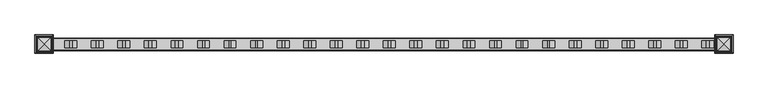
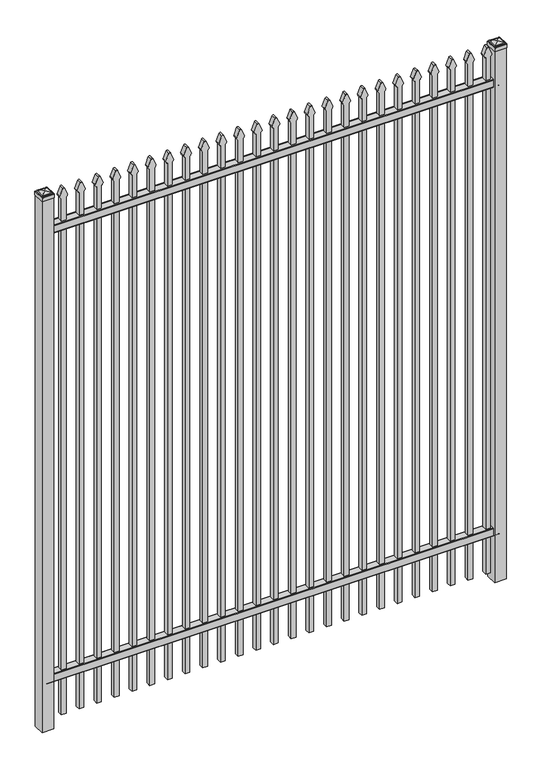
"""IFC4 building model written with IfcOpenShell, lengths in millimetres: railing geometry."""

from ifc_helpers import new_model, si_unit, point, frame, frame_2d, origin, origin_with_axes, place, context, project, spatial, polyline, circle_curve, ellipse_curve, trimmed, segment, composite_curve, outline, extrude, source, transform, mapped, element, save
from ifc_brep_helpers import plane_surface, cylinder_surface, advanced_brep


def railing_7e1ca35c(model_context):
    return source(origin(), model_context, "Body", "SolidModel", [
        extrude(outline(composite_curve([segment(polyline([(4253.9139761, 304.8), (4291.969541, 304.8)]), True, "CONTINUOUS"), segment(trimmed(circle_curve(frame_2d((4291.969541, 301.625)), 3.175), [point((4291.969541, 304.8))], [point((4295.144541, 301.625))], False, "CARTESIAN"), True, "CONTINUOUS"), segment(polyline([(4295.144541, 301.625), (4295.144541, 262.1439893)]), True, "CONTINUOUS"), segment(trimmed(circle_curve(frame_2d((4293.3505518, 262.1439893)), 1.7939893), [point((4295.144541, 262.1439893))], [point((4293.3505518, 260.35))], False, "CARTESIAN"), True, "CONTINUOUS"), segment(polyline([(4293.3505518, 260.35), (4290.7590713, 260.35)]), True, "CONTINUOUS"), segment(trimmed(circle_curve(frame_2d((4290.7590713, 262.1359375)), 1.7859375), [point((4290.7590713, 260.35))], [point((4288.9755813, 262.0424688))], False, "CARTESIAN"), True, "CONTINUOUS"), segment(polyline([(4288.9755813, 262.0424688), (4287.4025867, 292.0569942), (4258.4364954, 292.0569942), (4256.8635007, 262.0424688)]), True, "CONTINUOUS"), segment(trimmed(circle_curve(frame_2d((4255.0800108, 262.1359375)), 1.7859375), [point((4256.8635007, 262.0424688))], [point((4255.0800108, 260.35))], False, "CARTESIAN"), True, "CONTINUOUS"), segment(polyline([(4255.0800108, 260.35), (4252.4804785, 260.35)]), True, "CONTINUOUS"), segment(trimmed(circle_curve(frame_2d((4252.4804785, 262.1359375)), 1.7859375), [point((4252.4804785, 260.35))], [point((4250.694541, 262.1359375))], False, "CARTESIAN"), True, "CONTINUOUS"), segment(polyline([(4250.694541, 262.1359375), (4250.694541, 301.5805649)]), True, "CONTINUOUS"), segment(trimmed(circle_curve(frame_2d((4253.9139761, 301.5805649)), 3.2194351), [point((4250.694541, 301.5805649))], [point((4253.9139761, 304.8))], False, "CARTESIAN"), True, "CONTINUOUS")], self_intersect=False)), frame((-33015.4649936, 0.0, 0.0), z_axis=(1.0, 0.0, 0.0), x_axis=(0.0, 1.0, 0.0)), (0.0, 0.0, 1.0), 2438.4),
        extrude(outline(composite_curve([segment(polyline([(4253.9139761, 2859.0875), (4291.969541, 2859.0875)]), True, "CONTINUOUS"), segment(trimmed(circle_curve(frame_2d((4291.969541, 2855.9125)), 3.175), [point((4291.969541, 2859.0875))], [point((4295.144541, 2855.9125))], False, "CARTESIAN"), True, "CONTINUOUS"), segment(polyline([(4295.144541, 2855.9125), (4295.144541, 2816.4314893)]), True, "CONTINUOUS"), segment(trimmed(circle_curve(frame_2d((4293.3505518, 2816.4314893)), 1.7939893), [point((4295.144541, 2816.4314893))], [point((4293.3505518, 2814.6375))], False, "CARTESIAN"), True, "CONTINUOUS"), segment(polyline([(4293.3505518, 2814.6375), (4290.7590713, 2814.6375)]), True, "CONTINUOUS"), segment(trimmed(circle_curve(frame_2d((4290.7590713, 2816.4234375)), 1.7859375), [point((4290.7590713, 2814.6375))], [point((4288.9755813, 2816.3299688))], False, "CARTESIAN"), True, "CONTINUOUS"), segment(polyline([(4288.9755813, 2816.3299688), (4287.4025867, 2846.3444942), (4258.4364954, 2846.3444942), (4256.8635007, 2816.3299688)]), True, "CONTINUOUS"), segment(trimmed(circle_curve(frame_2d((4255.0800108, 2816.4234375)), 1.7859375), [point((4256.8635007, 2816.3299688))], [point((4255.0800108, 2814.6375))], False, "CARTESIAN"), True, "CONTINUOUS"), segment(polyline([(4255.0800108, 2814.6375), (4252.4804785, 2814.6375)]), True, "CONTINUOUS"), segment(trimmed(circle_curve(frame_2d((4252.4804785, 2816.4234375)), 1.7859375), [point((4252.4804785, 2814.6375))], [point((4250.694541, 2816.4234375))], False, "CARTESIAN"), True, "CONTINUOUS"), segment(polyline([(4250.694541, 2816.4234375), (4250.694541, 2855.8680649)]), True, "CONTINUOUS"), segment(trimmed(circle_curve(frame_2d((4253.9139761, 2855.8680649)), 3.2194351), [point((4250.694541, 2855.8680649))], [point((4253.9139761, 2859.0875))], False, "CARTESIAN"), True, "CONTINUOUS")], self_intersect=False)), frame((-33015.4649936, 0.0, 0.0), z_axis=(1.0, 0.0, 0.0), x_axis=(0.0, 1.0, 0.0)), (0.0, 0.0, 1.0), 2438.4),
        extrude(outline(composite_curve([segment(polyline([(2988.6798417, -30646.9149936), (50.8, -30646.9149936), (50.8, -30621.5149936), (2988.4579232, -30621.5149936)]), True, "CONTINUOUS"), segment(trimmed(circle_curve(frame_2d((3006.9299402, -30635.3872336)), 23.1009622), [point((2988.4579232, -30621.5149936))], [point((3001.4676176, -30612.9413545))], False, "CARTESIAN"), True, "CONTINUOUS"), segment(polyline([(3001.4676176, -30612.9413545), (3041.9555225, -30629.2605644)]), True, "CONTINUOUS"), segment(trimmed(circle_curve(frame_2d((3038.8045804, -30634.3905764)), 6.0204202), [point((3041.9555225, -30629.2605644))], [point((3041.9555225, -30639.5205884))], False, "CARTESIAN"), True, "CONTINUOUS"), segment(polyline([(3041.9555225, -30639.5205884), (3002.7339948, -30655.4687724)]), True, "CONTINUOUS"), segment(trimmed(circle_curve(frame_2d((3006.9299402, -30632.7520716)), 23.1009622), [point((3002.7339948, -30655.4687724))], [point((2988.6798417, -30646.9149936))], False, "CARTESIAN"), True, "CONTINUOUS")], self_intersect=False)), frame((0.0, 4260.219541, 0.0), z_axis=(0.0, 1.0, 0.0), x_axis=(0.0, 0.0, 1.0)), (0.0, 0.0, 1.0), 25.4),
        extrude(outline(composite_curve([segment(polyline([(2988.6798417, -30742.1649936), (50.8, -30742.1649936), (50.8, -30716.7649936), (2988.4579232, -30716.7649936)]), True, "CONTINUOUS"), segment(trimmed(circle_curve(frame_2d((3006.9299402, -30730.6372336)), 23.1009622), [point((2988.4579232, -30716.7649936))], [point((3001.4676176, -30708.1913545))], False, "CARTESIAN"), True, "CONTINUOUS"), segment(polyline([(3001.4676176, -30708.1913545), (3041.9555225, -30724.5105644)]), True, "CONTINUOUS"), segment(trimmed(circle_curve(frame_2d((3038.8045804, -30729.6405764)), 6.0204202), [point((3041.9555225, -30724.5105644))], [point((3041.9555225, -30734.7705884))], False, "CARTESIAN"), True, "CONTINUOUS"), segment(polyline([(3041.9555225, -30734.7705884), (3002.7339948, -30750.7187724)]), True, "CONTINUOUS"), segment(trimmed(circle_curve(frame_2d((3006.9299402, -30728.0020716)), 23.1009622), [point((3002.7339948, -30750.7187724))], [point((2988.6798417, -30742.1649936))], False, "CARTESIAN"), True, "CONTINUOUS")], self_intersect=False)), frame((0.0, 4260.219541, 0.0), z_axis=(0.0, 1.0, 0.0), x_axis=(0.0, 0.0, 1.0)), (0.0, 0.0, 1.0), 25.4),
        extrude(outline(composite_curve([segment(polyline([(2988.6798417, -30837.4149936), (50.8, -30837.4149936), (50.8, -30812.0149936), (2988.4579232, -30812.0149936)]), True, "CONTINUOUS"), segment(trimmed(circle_curve(frame_2d((3006.9299402, -30825.8872336)), 23.1009622), [point((2988.4579232, -30812.0149936))], [point((3001.4676176, -30803.4413545))], False, "CARTESIAN"), True, "CONTINUOUS"), segment(polyline([(3001.4676176, -30803.4413545), (3041.9555225, -30819.7605644)]), True, "CONTINUOUS"), segment(trimmed(circle_curve(frame_2d((3038.8045804, -30824.8905764)), 6.0204202), [point((3041.9555225, -30819.7605644))], [point((3041.9555225, -30830.0205884))], False, "CARTESIAN"), True, "CONTINUOUS"), segment(polyline([(3041.9555225, -30830.0205884), (3002.7339948, -30845.9687724)]), True, "CONTINUOUS"), segment(trimmed(circle_curve(frame_2d((3006.9299402, -30823.2520716)), 23.1009622), [point((3002.7339948, -30845.9687724))], [point((2988.6798417, -30837.4149936))], False, "CARTESIAN"), True, "CONTINUOUS")], self_intersect=False)), frame((0.0, 4260.219541, 0.0), z_axis=(0.0, 1.0, 0.0), x_axis=(0.0, 0.0, 1.0)), (0.0, 0.0, 1.0), 25.4),
        extrude(outline(composite_curve([segment(polyline([(2988.6798417, -30932.6649936), (50.8, -30932.6649936), (50.8, -30907.2649936), (2988.4579232, -30907.2649936)]), True, "CONTINUOUS"), segment(trimmed(circle_curve(frame_2d((3006.9299402, -30921.1372336)), 23.1009622), [point((2988.4579232, -30907.2649936))], [point((3001.4676176, -30898.6913545))], False, "CARTESIAN"), True, "CONTINUOUS"), segment(polyline([(3001.4676176, -30898.6913545), (3041.9555225, -30915.0105644)]), True, "CONTINUOUS"), segment(trimmed(circle_curve(frame_2d((3038.8045804, -30920.1405764)), 6.0204202), [point((3041.9555225, -30915.0105644))], [point((3041.9555225, -30925.2705884))], False, "CARTESIAN"), True, "CONTINUOUS"), segment(polyline([(3041.9555225, -30925.2705884), (3002.7339948, -30941.2187724)]), True, "CONTINUOUS"), segment(trimmed(circle_curve(frame_2d((3006.9299402, -30918.5020716)), 23.1009622), [point((3002.7339948, -30941.2187724))], [point((2988.6798417, -30932.6649936))], False, "CARTESIAN"), True, "CONTINUOUS")], self_intersect=False)), frame((0.0, 4260.219541, 0.0), z_axis=(0.0, 1.0, 0.0), x_axis=(0.0, 0.0, 1.0)), (0.0, 0.0, 1.0), 25.4),
        extrude(outline(composite_curve([segment(polyline([(2988.6798417, -31027.9149936), (50.8, -31027.9149936), (50.8, -31002.5149936), (2988.4579232, -31002.5149936)]), True, "CONTINUOUS"), segment(trimmed(circle_curve(frame_2d((3006.9299402, -31016.3872336)), 23.1009622), [point((2988.4579232, -31002.5149936))], [point((3001.4676176, -30993.9413545))], False, "CARTESIAN"), True, "CONTINUOUS"), segment(polyline([(3001.4676176, -30993.9413545), (3041.9555225, -31010.2605644)]), True, "CONTINUOUS"), segment(trimmed(circle_curve(frame_2d((3038.8045804, -31015.3905764)), 6.0204202), [point((3041.9555225, -31010.2605644))], [point((3041.9555225, -31020.5205884))], False, "CARTESIAN"), True, "CONTINUOUS"), segment(polyline([(3041.9555225, -31020.5205884), (3002.7339948, -31036.4687724)]), True, "CONTINUOUS"), segment(trimmed(circle_curve(frame_2d((3006.9299402, -31013.7520716)), 23.1009622), [point((3002.7339948, -31036.4687724))], [point((2988.6798417, -31027.9149936))], False, "CARTESIAN"), True, "CONTINUOUS")], self_intersect=False)), frame((0.0, 4260.219541, 0.0), z_axis=(0.0, 1.0, 0.0), x_axis=(0.0, 0.0, 1.0)), (0.0, 0.0, 1.0), 25.4),
        extrude(outline(composite_curve([segment(polyline([(2988.6798417, -31123.1649936), (50.8, -31123.1649936), (50.8, -31097.7649936), (2988.4579232, -31097.7649936)]), True, "CONTINUOUS"), segment(trimmed(circle_curve(frame_2d((3006.9299402, -31111.6372336)), 23.1009622), [point((2988.4579232, -31097.7649936))], [point((3001.4676176, -31089.1913545))], False, "CARTESIAN"), True, "CONTINUOUS"), segment(polyline([(3001.4676176, -31089.1913545), (3041.9555225, -31105.5105644)]), True, "CONTINUOUS"), segment(trimmed(circle_curve(frame_2d((3038.8045804, -31110.6405764)), 6.0204202), [point((3041.9555225, -31105.5105644))], [point((3041.9555225, -31115.7705884))], False, "CARTESIAN"), True, "CONTINUOUS"), segment(polyline([(3041.9555225, -31115.7705884), (3002.7339948, -31131.7187724)]), True, "CONTINUOUS"), segment(trimmed(circle_curve(frame_2d((3006.9299402, -31109.0020716)), 23.1009622), [point((3002.7339948, -31131.7187724))], [point((2988.6798417, -31123.1649936))], False, "CARTESIAN"), True, "CONTINUOUS")], self_intersect=False)), frame((0.0, 4260.219541, 0.0), z_axis=(0.0, 1.0, 0.0), x_axis=(0.0, 0.0, 1.0)), (0.0, 0.0, 1.0), 25.4),
        extrude(outline(composite_curve([segment(polyline([(2988.6798417, -31218.4149936), (50.8, -31218.4149936), (50.8, -31193.0149936), (2988.4579232, -31193.0149936)]), True, "CONTINUOUS"), segment(trimmed(circle_curve(frame_2d((3006.9299402, -31206.8872336)), 23.1009622), [point((2988.4579232, -31193.0149936))], [point((3001.4676176, -31184.4413545))], False, "CARTESIAN"), True, "CONTINUOUS"), segment(polyline([(3001.4676176, -31184.4413545), (3041.9555225, -31200.7605644)]), True, "CONTINUOUS"), segment(trimmed(circle_curve(frame_2d((3038.8045804, -31205.8905764)), 6.0204202), [point((3041.9555225, -31200.7605644))], [point((3041.9555225, -31211.0205884))], False, "CARTESIAN"), True, "CONTINUOUS"), segment(polyline([(3041.9555225, -31211.0205884), (3002.7339948, -31226.9687724)]), True, "CONTINUOUS"), segment(trimmed(circle_curve(frame_2d((3006.9299402, -31204.2520716)), 23.1009622), [point((3002.7339948, -31226.9687724))], [point((2988.6798417, -31218.4149936))], False, "CARTESIAN"), True, "CONTINUOUS")], self_intersect=False)), frame((0.0, 4260.219541, 0.0), z_axis=(0.0, 1.0, 0.0), x_axis=(0.0, 0.0, 1.0)), (0.0, 0.0, 1.0), 25.4),
        extrude(outline(composite_curve([segment(polyline([(2988.6798417, -31313.6649936), (50.8, -31313.6649936), (50.8, -31288.2649936), (2988.4579232, -31288.2649936)]), True, "CONTINUOUS"), segment(trimmed(circle_curve(frame_2d((3006.9299402, -31302.1372336)), 23.1009622), [point((2988.4579232, -31288.2649936))], [point((3001.4676176, -31279.6913545))], False, "CARTESIAN"), True, "CONTINUOUS"), segment(polyline([(3001.4676176, -31279.6913545), (3041.9555225, -31296.0105644)]), True, "CONTINUOUS"), segment(trimmed(circle_curve(frame_2d((3038.8045804, -31301.1405764)), 6.0204202), [point((3041.9555225, -31296.0105644))], [point((3041.9555225, -31306.2705884))], False, "CARTESIAN"), True, "CONTINUOUS"), segment(polyline([(3041.9555225, -31306.2705884), (3002.7339948, -31322.2187724)]), True, "CONTINUOUS"), segment(trimmed(circle_curve(frame_2d((3006.9299402, -31299.5020716)), 23.1009622), [point((3002.7339948, -31322.2187724))], [point((2988.6798417, -31313.6649936))], False, "CARTESIAN"), True, "CONTINUOUS")], self_intersect=False)), frame((0.0, 4260.219541, 0.0), z_axis=(0.0, 1.0, 0.0), x_axis=(0.0, 0.0, 1.0)), (0.0, 0.0, 1.0), 25.4),
        extrude(outline(composite_curve([segment(polyline([(2988.6798417, -31408.9149936), (50.8, -31408.9149936), (50.8, -31383.5149936), (2988.4579232, -31383.5149936)]), True, "CONTINUOUS"), segment(trimmed(circle_curve(frame_2d((3006.9299402, -31397.3872336)), 23.1009622), [point((2988.4579232, -31383.5149936))], [point((3001.4676176, -31374.9413545))], False, "CARTESIAN"), True, "CONTINUOUS"), segment(polyline([(3001.4676176, -31374.9413545), (3041.9555225, -31391.2605644)]), True, "CONTINUOUS"), segment(trimmed(circle_curve(frame_2d((3038.8045804, -31396.3905764)), 6.0204202), [point((3041.9555225, -31391.2605644))], [point((3041.9555225, -31401.5205884))], False, "CARTESIAN"), True, "CONTINUOUS"), segment(polyline([(3041.9555225, -31401.5205884), (3002.7339948, -31417.4687724)]), True, "CONTINUOUS"), segment(trimmed(circle_curve(frame_2d((3006.9299402, -31394.7520716)), 23.1009622), [point((3002.7339948, -31417.4687724))], [point((2988.6798417, -31408.9149936))], False, "CARTESIAN"), True, "CONTINUOUS")], self_intersect=False)), frame((0.0, 4260.219541, 0.0), z_axis=(0.0, 1.0, 0.0), x_axis=(0.0, 0.0, 1.0)), (0.0, 0.0, 1.0), 25.4),
        extrude(outline(composite_curve([segment(polyline([(2988.6798417, -31504.1649936), (50.8, -31504.1649936), (50.8, -31478.7649936), (2988.4579232, -31478.7649936)]), True, "CONTINUOUS"), segment(trimmed(circle_curve(frame_2d((3006.9299402, -31492.6372336)), 23.1009622), [point((2988.4579232, -31478.7649936))], [point((3001.4676176, -31470.1913545))], False, "CARTESIAN"), True, "CONTINUOUS"), segment(polyline([(3001.4676176, -31470.1913545), (3041.9555225, -31486.5105644)]), True, "CONTINUOUS"), segment(trimmed(circle_curve(frame_2d((3038.8045804, -31491.6405764)), 6.0204202), [point((3041.9555225, -31486.5105644))], [point((3041.9555225, -31496.7705884))], False, "CARTESIAN"), True, "CONTINUOUS"), segment(polyline([(3041.9555225, -31496.7705884), (3002.7339948, -31512.7187724)]), True, "CONTINUOUS"), segment(trimmed(circle_curve(frame_2d((3006.9299402, -31490.0020716)), 23.1009622), [point((3002.7339948, -31512.7187724))], [point((2988.6798417, -31504.1649936))], False, "CARTESIAN"), True, "CONTINUOUS")], self_intersect=False)), frame((0.0, 4260.219541, 0.0), z_axis=(0.0, 1.0, 0.0), x_axis=(0.0, 0.0, 1.0)), (0.0, 0.0, 1.0), 25.4),
        extrude(outline(composite_curve([segment(polyline([(2988.6798417, -31599.4149936), (50.8, -31599.4149936), (50.8, -31574.0149936), (2988.4579232, -31574.0149936)]), True, "CONTINUOUS"), segment(trimmed(circle_curve(frame_2d((3006.9299402, -31587.8872336)), 23.1009622), [point((2988.4579232, -31574.0149936))], [point((3001.4676176, -31565.4413545))], False, "CARTESIAN"), True, "CONTINUOUS"), segment(polyline([(3001.4676176, -31565.4413545), (3041.9555225, -31581.7605644)]), True, "CONTINUOUS"), segment(trimmed(circle_curve(frame_2d((3038.8045804, -31586.8905764)), 6.0204202), [point((3041.9555225, -31581.7605644))], [point((3041.9555225, -31592.0205884))], False, "CARTESIAN"), True, "CONTINUOUS"), segment(polyline([(3041.9555225, -31592.0205884), (3002.7339948, -31607.9687724)]), True, "CONTINUOUS"), segment(trimmed(circle_curve(frame_2d((3006.9299402, -31585.2520716)), 23.1009622), [point((3002.7339948, -31607.9687724))], [point((2988.6798417, -31599.4149936))], False, "CARTESIAN"), True, "CONTINUOUS")], self_intersect=False)), frame((0.0, 4260.219541, 0.0), z_axis=(0.0, 1.0, 0.0), x_axis=(0.0, 0.0, 1.0)), (0.0, 0.0, 1.0), 25.4),
        extrude(outline(composite_curve([segment(polyline([(2988.6798417, -31694.6649936), (50.8, -31694.6649936), (50.8, -31669.2649936), (2988.4579232, -31669.2649936)]), True, "CONTINUOUS"), segment(trimmed(circle_curve(frame_2d((3006.9299402, -31683.1372336)), 23.1009622), [point((2988.4579232, -31669.2649936))], [point((3001.4676176, -31660.6913545))], False, "CARTESIAN"), True, "CONTINUOUS"), segment(polyline([(3001.4676176, -31660.6913545), (3041.9555225, -31677.0105644)]), True, "CONTINUOUS"), segment(trimmed(circle_curve(frame_2d((3038.8045804, -31682.1405764)), 6.0204202), [point((3041.9555225, -31677.0105644))], [point((3041.9555225, -31687.2705884))], False, "CARTESIAN"), True, "CONTINUOUS"), segment(polyline([(3041.9555225, -31687.2705884), (3002.7339948, -31703.2187724)]), True, "CONTINUOUS"), segment(trimmed(circle_curve(frame_2d((3006.9299402, -31680.5020716)), 23.1009622), [point((3002.7339948, -31703.2187724))], [point((2988.6798417, -31694.6649936))], False, "CARTESIAN"), True, "CONTINUOUS")], self_intersect=False)), frame((0.0, 4260.219541, 0.0), z_axis=(0.0, 1.0, 0.0), x_axis=(0.0, 0.0, 1.0)), (0.0, 0.0, 1.0), 25.4),
        extrude(outline(composite_curve([segment(polyline([(2988.6798417, -31789.9149936), (50.8, -31789.9149936), (50.8, -31764.5149936), (2988.4579232, -31764.5149936)]), True, "CONTINUOUS"), segment(trimmed(circle_curve(frame_2d((3006.9299402, -31778.3872336)), 23.1009622), [point((2988.4579232, -31764.5149936))], [point((3001.4676176, -31755.9413545))], False, "CARTESIAN"), True, "CONTINUOUS"), segment(polyline([(3001.4676176, -31755.9413545), (3041.9555225, -31772.2605644)]), True, "CONTINUOUS"), segment(trimmed(circle_curve(frame_2d((3038.8045804, -31777.3905764)), 6.0204202), [point((3041.9555225, -31772.2605644))], [point((3041.9555225, -31782.5205884))], False, "CARTESIAN"), True, "CONTINUOUS"), segment(polyline([(3041.9555225, -31782.5205884), (3002.7339948, -31798.4687724)]), True, "CONTINUOUS"), segment(trimmed(circle_curve(frame_2d((3006.9299402, -31775.7520716)), 23.1009622), [point((3002.7339948, -31798.4687724))], [point((2988.6798417, -31789.9149936))], False, "CARTESIAN"), True, "CONTINUOUS")], self_intersect=False)), frame((0.0, 4260.219541, 0.0), z_axis=(0.0, 1.0, 0.0), x_axis=(0.0, 0.0, 1.0)), (0.0, 0.0, 1.0), 25.4),
        extrude(outline(composite_curve([segment(polyline([(2988.6798417, -31885.1649936), (50.8, -31885.1649936), (50.8, -31859.7649936), (2988.4579232, -31859.7649936)]), True, "CONTINUOUS"), segment(trimmed(circle_curve(frame_2d((3006.9299402, -31873.6372336)), 23.1009622), [point((2988.4579232, -31859.7649936))], [point((3001.4676176, -31851.1913545))], False, "CARTESIAN"), True, "CONTINUOUS"), segment(polyline([(3001.4676176, -31851.1913545), (3041.9555225, -31867.5105644)]), True, "CONTINUOUS"), segment(trimmed(circle_curve(frame_2d((3038.8045804, -31872.6405764)), 6.0204202), [point((3041.9555225, -31867.5105644))], [point((3041.9555225, -31877.7705884))], False, "CARTESIAN"), True, "CONTINUOUS"), segment(polyline([(3041.9555225, -31877.7705884), (3002.7339948, -31893.7187724)]), True, "CONTINUOUS"), segment(trimmed(circle_curve(frame_2d((3006.9299402, -31871.0020716)), 23.1009622), [point((3002.7339948, -31893.7187724))], [point((2988.6798417, -31885.1649936))], False, "CARTESIAN"), True, "CONTINUOUS")], self_intersect=False)), frame((0.0, 4260.219541, 0.0), z_axis=(0.0, 1.0, 0.0), x_axis=(0.0, 0.0, 1.0)), (0.0, 0.0, 1.0), 25.4),
        extrude(outline(composite_curve([segment(polyline([(2988.6798417, -31980.4149936), (50.8, -31980.4149936), (50.8, -31955.0149936), (2988.4579232, -31955.0149936)]), True, "CONTINUOUS"), segment(trimmed(circle_curve(frame_2d((3006.9299402, -31968.8872336)), 23.1009622), [point((2988.4579232, -31955.0149936))], [point((3001.4676176, -31946.4413545))], False, "CARTESIAN"), True, "CONTINUOUS"), segment(polyline([(3001.4676176, -31946.4413545), (3041.9555225, -31962.7605644)]), True, "CONTINUOUS"), segment(trimmed(circle_curve(frame_2d((3038.8045804, -31967.8905764)), 6.0204202), [point((3041.9555225, -31962.7605644))], [point((3041.9555225, -31973.0205884))], False, "CARTESIAN"), True, "CONTINUOUS"), segment(polyline([(3041.9555225, -31973.0205884), (3002.7339948, -31988.9687724)]), True, "CONTINUOUS"), segment(trimmed(circle_curve(frame_2d((3006.9299402, -31966.2520716)), 23.1009622), [point((3002.7339948, -31988.9687724))], [point((2988.6798417, -31980.4149936))], False, "CARTESIAN"), True, "CONTINUOUS")], self_intersect=False)), frame((0.0, 4260.219541, 0.0), z_axis=(0.0, 1.0, 0.0), x_axis=(0.0, 0.0, 1.0)), (0.0, 0.0, 1.0), 25.4),
        extrude(outline(composite_curve([segment(polyline([(2988.6798417, -32075.6649936), (50.8, -32075.6649936), (50.8, -32050.2649936), (2988.4579232, -32050.2649936)]), True, "CONTINUOUS"), segment(trimmed(circle_curve(frame_2d((3006.9299402, -32064.1372336)), 23.1009622), [point((2988.4579232, -32050.2649936))], [point((3001.4676176, -32041.6913545))], False, "CARTESIAN"), True, "CONTINUOUS"), segment(polyline([(3001.4676176, -32041.6913545), (3041.9555225, -32058.0105644)]), True, "CONTINUOUS"), segment(trimmed(circle_curve(frame_2d((3038.8045804, -32063.1405764)), 6.0204202), [point((3041.9555225, -32058.0105644))], [point((3041.9555225, -32068.2705884))], False, "CARTESIAN"), True, "CONTINUOUS"), segment(polyline([(3041.9555225, -32068.2705884), (3002.7339948, -32084.2187724)]), True, "CONTINUOUS"), segment(trimmed(circle_curve(frame_2d((3006.9299402, -32061.5020716)), 23.1009622), [point((3002.7339948, -32084.2187724))], [point((2988.6798417, -32075.6649936))], False, "CARTESIAN"), True, "CONTINUOUS")], self_intersect=False)), frame((0.0, 4260.219541, 0.0), z_axis=(0.0, 1.0, 0.0), x_axis=(0.0, 0.0, 1.0)), (0.0, 0.0, 1.0), 25.4),
        extrude(outline(composite_curve([segment(polyline([(2988.6798417, -32170.9149936), (50.8, -32170.9149936), (50.8, -32145.5149936), (2988.4579232, -32145.5149936)]), True, "CONTINUOUS"), segment(trimmed(circle_curve(frame_2d((3006.9299402, -32159.3872336)), 23.1009622), [point((2988.4579232, -32145.5149936))], [point((3001.4676176, -32136.9413545))], False, "CARTESIAN"), True, "CONTINUOUS"), segment(polyline([(3001.4676176, -32136.9413545), (3041.9555225, -32153.2605644)]), True, "CONTINUOUS"), segment(trimmed(circle_curve(frame_2d((3038.8045804, -32158.3905764)), 6.0204202), [point((3041.9555225, -32153.2605644))], [point((3041.9555225, -32163.5205884))], False, "CARTESIAN"), True, "CONTINUOUS"), segment(polyline([(3041.9555225, -32163.5205884), (3002.7339948, -32179.4687724)]), True, "CONTINUOUS"), segment(trimmed(circle_curve(frame_2d((3006.9299402, -32156.7520716)), 23.1009622), [point((3002.7339948, -32179.4687724))], [point((2988.6798417, -32170.9149936))], False, "CARTESIAN"), True, "CONTINUOUS")], self_intersect=False)), frame((0.0, 4260.219541, 0.0), z_axis=(0.0, 1.0, 0.0), x_axis=(0.0, 0.0, 1.0)), (0.0, 0.0, 1.0), 25.4),
        extrude(outline(composite_curve([segment(polyline([(2988.6798417, -32266.1649936), (50.8, -32266.1649936), (50.8, -32240.7649936), (2988.4579232, -32240.7649936)]), True, "CONTINUOUS"), segment(trimmed(circle_curve(frame_2d((3006.9299402, -32254.6372336)), 23.1009622), [point((2988.4579232, -32240.7649936))], [point((3001.4676176, -32232.1913545))], False, "CARTESIAN"), True, "CONTINUOUS"), segment(polyline([(3001.4676176, -32232.1913545), (3041.9555225, -32248.5105644)]), True, "CONTINUOUS"), segment(trimmed(circle_curve(frame_2d((3038.8045804, -32253.6405764)), 6.0204202), [point((3041.9555225, -32248.5105644))], [point((3041.9555225, -32258.7705884))], False, "CARTESIAN"), True, "CONTINUOUS"), segment(polyline([(3041.9555225, -32258.7705884), (3002.7339948, -32274.7187724)]), True, "CONTINUOUS"), segment(trimmed(circle_curve(frame_2d((3006.9299402, -32252.0020716)), 23.1009622), [point((3002.7339948, -32274.7187724))], [point((2988.6798417, -32266.1649936))], False, "CARTESIAN"), True, "CONTINUOUS")], self_intersect=False)), frame((0.0, 4260.219541, 0.0), z_axis=(0.0, 1.0, 0.0), x_axis=(0.0, 0.0, 1.0)), (0.0, 0.0, 1.0), 25.4),
        extrude(outline(composite_curve([segment(polyline([(2988.6798417, -32361.4149936), (50.8, -32361.4149936), (50.8, -32336.0149936), (2988.4579232, -32336.0149936)]), True, "CONTINUOUS"), segment(trimmed(circle_curve(frame_2d((3006.9299402, -32349.8872336)), 23.1009622), [point((2988.4579232, -32336.0149936))], [point((3001.4676176, -32327.4413545))], False, "CARTESIAN"), True, "CONTINUOUS"), segment(polyline([(3001.4676176, -32327.4413545), (3041.9555225, -32343.7605644)]), True, "CONTINUOUS"), segment(trimmed(circle_curve(frame_2d((3038.8045804, -32348.8905764)), 6.0204202), [point((3041.9555225, -32343.7605644))], [point((3041.9555225, -32354.0205884))], False, "CARTESIAN"), True, "CONTINUOUS"), segment(polyline([(3041.9555225, -32354.0205884), (3002.7339948, -32369.9687724)]), True, "CONTINUOUS"), segment(trimmed(circle_curve(frame_2d((3006.9299402, -32347.2520716)), 23.1009622), [point((3002.7339948, -32369.9687724))], [point((2988.6798417, -32361.4149936))], False, "CARTESIAN"), True, "CONTINUOUS")], self_intersect=False)), frame((0.0, 4260.219541, 0.0), z_axis=(0.0, 1.0, 0.0), x_axis=(0.0, 0.0, 1.0)), (0.0, 0.0, 1.0), 25.4),
        extrude(outline(composite_curve([segment(polyline([(2988.6798417, -32456.6649936), (50.8, -32456.6649936), (50.8, -32431.2649936), (2988.4579232, -32431.2649936)]), True, "CONTINUOUS"), segment(trimmed(circle_curve(frame_2d((3006.9299402, -32445.1372336)), 23.1009622), [point((2988.4579232, -32431.2649936))], [point((3001.4676176, -32422.6913545))], False, "CARTESIAN"), True, "CONTINUOUS"), segment(polyline([(3001.4676176, -32422.6913545), (3041.9555225, -32439.0105644)]), True, "CONTINUOUS"), segment(trimmed(circle_curve(frame_2d((3038.8045804, -32444.1405764)), 6.0204202), [point((3041.9555225, -32439.0105644))], [point((3041.9555225, -32449.2705884))], False, "CARTESIAN"), True, "CONTINUOUS"), segment(polyline([(3041.9555225, -32449.2705884), (3002.7339948, -32465.2187724)]), True, "CONTINUOUS"), segment(trimmed(circle_curve(frame_2d((3006.9299402, -32442.5020716)), 23.1009622), [point((3002.7339948, -32465.2187724))], [point((2988.6798417, -32456.6649936))], False, "CARTESIAN"), True, "CONTINUOUS")], self_intersect=False)), frame((0.0, 4260.219541, 0.0), z_axis=(0.0, 1.0, 0.0), x_axis=(0.0, 0.0, 1.0)), (0.0, 0.0, 1.0), 25.4),
        extrude(outline(composite_curve([segment(polyline([(2988.6798417, -32551.9149936), (50.8, -32551.9149936), (50.8, -32526.5149936), (2988.4579232, -32526.5149936)]), True, "CONTINUOUS"), segment(trimmed(circle_curve(frame_2d((3006.9299402, -32540.3872336)), 23.1009622), [point((2988.4579232, -32526.5149936))], [point((3001.4676176, -32517.9413545))], False, "CARTESIAN"), True, "CONTINUOUS"), segment(polyline([(3001.4676176, -32517.9413545), (3041.9555225, -32534.2605644)]), True, "CONTINUOUS"), segment(trimmed(circle_curve(frame_2d((3038.8045804, -32539.3905764)), 6.0204202), [point((3041.9555225, -32534.2605644))], [point((3041.9555225, -32544.5205884))], False, "CARTESIAN"), True, "CONTINUOUS"), segment(polyline([(3041.9555225, -32544.5205884), (3002.7339948, -32560.4687724)]), True, "CONTINUOUS"), segment(trimmed(circle_curve(frame_2d((3006.9299402, -32537.7520716)), 23.1009622), [point((3002.7339948, -32560.4687724))], [point((2988.6798417, -32551.9149936))], False, "CARTESIAN"), True, "CONTINUOUS")], self_intersect=False)), frame((0.0, 4260.219541, 0.0), z_axis=(0.0, 1.0, 0.0), x_axis=(0.0, 0.0, 1.0)), (0.0, 0.0, 1.0), 25.4),
        extrude(outline(composite_curve([segment(polyline([(2988.6798417, -32647.1649936), (50.8, -32647.1649936), (50.8, -32621.7649936), (2988.4579232, -32621.7649936)]), True, "CONTINUOUS"), segment(trimmed(circle_curve(frame_2d((3006.9299402, -32635.6372336)), 23.1009622), [point((2988.4579232, -32621.7649936))], [point((3001.4676176, -32613.1913545))], False, "CARTESIAN"), True, "CONTINUOUS"), segment(polyline([(3001.4676176, -32613.1913545), (3041.9555225, -32629.5105644)]), True, "CONTINUOUS"), segment(trimmed(circle_curve(frame_2d((3038.8045804, -32634.6405764)), 6.0204202), [point((3041.9555225, -32629.5105644))], [point((3041.9555225, -32639.7705884))], False, "CARTESIAN"), True, "CONTINUOUS"), segment(polyline([(3041.9555225, -32639.7705884), (3002.7339948, -32655.7187724)]), True, "CONTINUOUS"), segment(trimmed(circle_curve(frame_2d((3006.9299402, -32633.0020716)), 23.1009622), [point((3002.7339948, -32655.7187724))], [point((2988.6798417, -32647.1649936))], False, "CARTESIAN"), True, "CONTINUOUS")], self_intersect=False)), frame((0.0, 4260.219541, 0.0), z_axis=(0.0, 1.0, 0.0), x_axis=(0.0, 0.0, 1.0)), (0.0, 0.0, 1.0), 25.4),
        extrude(outline(composite_curve([segment(polyline([(2988.6798417, -32742.4149936), (50.8, -32742.4149936), (50.8, -32717.0149936), (2988.4579232, -32717.0149936)]), True, "CONTINUOUS"), segment(trimmed(circle_curve(frame_2d((3006.9299402, -32730.8872336)), 23.1009622), [point((2988.4579232, -32717.0149936))], [point((3001.4676176, -32708.4413545))], False, "CARTESIAN"), True, "CONTINUOUS"), segment(polyline([(3001.4676176, -32708.4413545), (3041.9555225, -32724.7605644)]), True, "CONTINUOUS"), segment(trimmed(circle_curve(frame_2d((3038.8045804, -32729.8905764)), 6.0204202), [point((3041.9555225, -32724.7605644))], [point((3041.9555225, -32735.0205884))], False, "CARTESIAN"), True, "CONTINUOUS"), segment(polyline([(3041.9555225, -32735.0205884), (3002.7339948, -32750.9687724)]), True, "CONTINUOUS"), segment(trimmed(circle_curve(frame_2d((3006.9299402, -32728.2520716)), 23.1009622), [point((3002.7339948, -32750.9687724))], [point((2988.6798417, -32742.4149936))], False, "CARTESIAN"), True, "CONTINUOUS")], self_intersect=False)), frame((0.0, 4260.219541, 0.0), z_axis=(0.0, 1.0, 0.0), x_axis=(0.0, 0.0, 1.0)), (0.0, 0.0, 1.0), 25.4),
        extrude(outline(composite_curve([segment(polyline([(2988.6798417, -32837.6649936), (50.8, -32837.6649936), (50.8, -32812.2649936), (2988.4579232, -32812.2649936)]), True, "CONTINUOUS"), segment(trimmed(circle_curve(frame_2d((3006.9299402, -32826.1372336)), 23.1009622), [point((2988.4579232, -32812.2649936))], [point((3001.4676176, -32803.6913545))], False, "CARTESIAN"), True, "CONTINUOUS"), segment(polyline([(3001.4676176, -32803.6913545), (3041.9555225, -32820.0105644)]), True, "CONTINUOUS"), segment(trimmed(circle_curve(frame_2d((3038.8045804, -32825.1405764)), 6.0204202), [point((3041.9555225, -32820.0105644))], [point((3041.9555225, -32830.2705884))], False, "CARTESIAN"), True, "CONTINUOUS"), segment(polyline([(3041.9555225, -32830.2705884), (3002.7339948, -32846.2187724)]), True, "CONTINUOUS"), segment(trimmed(circle_curve(frame_2d((3006.9299402, -32823.5020716)), 23.1009622), [point((3002.7339948, -32846.2187724))], [point((2988.6798417, -32837.6649936))], False, "CARTESIAN"), True, "CONTINUOUS")], self_intersect=False)), frame((0.0, 4260.219541, 0.0), z_axis=(0.0, 1.0, 0.0), x_axis=(0.0, 0.0, 1.0)), (0.0, 0.0, 1.0), 25.4),
        extrude(outline(composite_curve([segment(polyline([(2988.6798417, -32932.9149936), (50.8, -32932.9149936), (50.8, -32907.5149936), (2988.4579232, -32907.5149936)]), True, "CONTINUOUS"), segment(trimmed(circle_curve(frame_2d((3006.9299402, -32921.3872336)), 23.1009622), [point((2988.4579232, -32907.5149936))], [point((3001.4676176, -32898.9413545))], False, "CARTESIAN"), True, "CONTINUOUS"), segment(polyline([(3001.4676176, -32898.9413545), (3041.9555225, -32915.2605644)]), True, "CONTINUOUS"), segment(trimmed(circle_curve(frame_2d((3038.8045804, -32920.3905764)), 6.0204202), [point((3041.9555225, -32915.2605644))], [point((3041.9555225, -32925.5205884))], False, "CARTESIAN"), True, "CONTINUOUS"), segment(polyline([(3041.9555225, -32925.5205884), (3002.7339948, -32941.4687724)]), True, "CONTINUOUS"), segment(trimmed(circle_curve(frame_2d((3006.9299402, -32918.7520716)), 23.1009622), [point((3002.7339948, -32941.4687724))], [point((2988.6798417, -32932.9149936))], False, "CARTESIAN"), True, "CONTINUOUS")], self_intersect=False)), frame((0.0, 4260.219541, 0.0), z_axis=(0.0, 1.0, 0.0), x_axis=(0.0, 0.0, 1.0)), (0.0, 0.0, 1.0), 25.4),
        extrude(outline(polyline([(-30545.3149936, 4304.669541), (-30545.3149936, 4241.169541), (-30608.8149936, 4241.169541), (-30608.8149936, 4304.669541), (-30545.3149936, 4304.669541)])), origin_with_axes(), (0.0, 0.0, 1.0), 3024.1875),
        advanced_brep(
        [(-30610.4024936, 4306.257041, 3042.44375), (-30610.4024936, 4306.257041, 3024.1875), (-30610.4024936, 4239.582041, 3024.1875), (-30610.4024936, 4239.582041, 3042.44375), (-30608.0212436, 4303.875791, 3044.825), (-30608.0212436, 4241.963291, 3044.825), (-30605.6399936, 4301.494541, 3047.20625), (-30605.6399936, 4301.494541, 3044.825), (-30605.6399936, 4244.344541, 3044.825), (-30605.6399936, 4244.344541, 3047.20625), (-30603.2587436, 4299.113291, 3049.5875), (-30603.2587436, 4246.725791, 3049.5875), (-30577.0649936, 4272.919541, 3055.9375), (-30600.8774936, 4296.732041, 3049.5875), (-30600.8774936, 4249.107041, 3049.5875), (-30543.7274936, 4239.582041, 3024.1875), (-30543.7274936, 4239.582041, 3042.44375), (-30546.1087436, 4241.963291, 3044.825), (-30548.4899936, 4244.344541, 3044.825), (-30548.4899936, 4244.344541, 3047.20625), (-30550.8712436, 4246.725791, 3049.5875), (-30553.2524936, 4249.107041, 3049.5875), (-30543.7274936, 4306.257041, 3024.1875), (-30543.7274936, 4306.257041, 3042.44375), (-30546.1087436, 4303.875791, 3044.825), (-30548.4899936, 4301.494541, 3044.825), (-30548.4899936, 4301.494541, 3047.20625), (-30550.8712436, 4299.113291, 3049.5875), (-30553.2524936, 4296.732041, 3049.5875)],
        [
            (0, 1),
            (1, 2),
            (2, 3),
            (3, 0),
            (4, 0, ellipse_curve(frame((-30608.0212436, 4303.875791, 3042.44375), z_axis=(-0.70710678118655, -0.7071067811865449, 0.0), x_axis=(-0.7071067811865448, 0.7071067811865501, 0.0)), 3.367596, 2.38125)),
            (3, 5, ellipse_curve(frame((-30608.0212436, 4241.963291, 3042.44375), z_axis=(-0.7071067811865449, 0.70710678118655, 0.0), x_axis=(0.7071067811865499, 0.707106781186545, 0.0)), 3.367596, 2.38125)),
            (5, 4),
            (6, 7),
            (7, 8),
            (8, 9),
            (9, 6),
            (10, 6, ellipse_curve(frame((-30603.2587436, 4299.113291, 3047.20625), z_axis=(-0.70710678118655, -0.7071067811865449, 0.0), x_axis=(-0.7071067811865448, 0.7071067811865501, 0.0)), 3.367596, 2.38125)),
            (9, 11, ellipse_curve(frame((-30603.2587436, 4246.725791, 3047.20625), z_axis=(-0.7071067811865449, 0.70710678118655, 0.0), x_axis=(0.7071067811865499, 0.707106781186545, 0.0)), 3.367596, 2.38125)),
            (11, 10),
            (12, 13, ellipse_curve(frame((-30577.0649936, 4272.919541, 3008.1140625), z_axis=(-0.70710678118655, -0.7071067811865449, 0.0), x_axis=(-0.7071067811865448, 0.7071067811865501, 0.0)), 67.6325539, 47.8234375)),
            (13, 14),
            (14, 12, ellipse_curve(frame((-30577.0649936, 4272.919541, 3008.1140625), z_axis=(-0.7071067811865449, 0.70710678118655, 0.0), x_axis=(0.7071067811865499, 0.707106781186545, 0.0)), 67.6325539, 47.8234375)),
            (2, 15),
            (15, 16),
            (16, 3),
            (16, 17, ellipse_curve(frame((-30546.1087436, 4241.963291, 3042.44375), z_axis=(-0.70710678118655, -0.707106781186545, 0.0), x_axis=(-0.707106781186545, 0.70710678118655, 0.0)), 3.367596, 2.38125)),
            (17, 5),
            (8, 18),
            (18, 19),
            (19, 9),
            (19, 20, ellipse_curve(frame((-30550.8712436, 4246.725791, 3047.20625), z_axis=(-0.70710678118655, -0.707106781186545, 0.0), x_axis=(-0.707106781186545, 0.70710678118655, 0.0)), 3.367596, 2.38125)),
            (20, 11),
            (14, 21),
            (21, 12, ellipse_curve(frame((-30577.0649936, 4272.919541, 3008.1140625), z_axis=(-0.70710678118655, -0.707106781186545, 0.0), x_axis=(-0.707106781186545, 0.70710678118655, 0.0)), 67.6325539, 47.8234375)),
            (15, 22),
            (22, 23),
            (23, 16),
            (23, 24, ellipse_curve(frame((-30546.1087436, 4303.875791, 3042.44375), z_axis=(0.707106781186545, -0.7071067811865499, 0.0), x_axis=(-0.7071067811865497, -0.7071067811865452, 0.0)), 3.367596, 2.38125)),
            (24, 17),
            (18, 25),
            (25, 26),
            (26, 19),
            (26, 27, ellipse_curve(frame((-30550.8712436, 4299.113291, 3047.20625), z_axis=(0.707106781186545, -0.7071067811865499, 0.0), x_axis=(-0.7071067811865497, -0.7071067811865452, 0.0)), 3.367596, 2.38125)),
            (27, 20),
            (21, 28),
            (28, 12, ellipse_curve(frame((-30577.0649936, 4272.919541, 3008.1140625), z_axis=(0.707106781186545, -0.7071067811865499, 0.0), x_axis=(-0.7071067811865497, -0.7071067811865452, 0.0)), 67.6325539, 47.8234375)),
            (22, 1),
            (0, 23),
            (4, 24),
            (7, 25),
            (6, 26),
            (10, 27),
            (13, 28),
        ],
        [
            plane_surface(frame((-30610.4024936, 4306.257041, 3024.1875), z_axis=(-1.0, 0.0, 0.0), x_axis=(0.0, -1.0, 0.0))),
            cylinder_surface(frame((-30608.0212436, 4304.669541, 3042.44375), z_axis=(0.0, 1.0, 0.0), x_axis=(1.0, 0.0, 0.0)), 2.38125),
            plane_surface(frame((-30605.6399936, 4301.494541, 3044.825), z_axis=(-1.0, 0.0, 0.0), x_axis=(0.0, -1.0, 0.0))),
            cylinder_surface(frame((-30603.2587436, 4304.669541, 3047.20625), z_axis=(0.0, 1.0, 0.0), x_axis=(1.0, 0.0, 0.0)), 2.38125),
            cylinder_surface(frame((-30577.0649936, 4304.669541, 3008.1140625), z_axis=(0.0, 1.0, 0.0), x_axis=(1.0, 0.0, 0.0)), 47.8234375),
            plane_surface(frame((-30610.4024936, 4239.582041, 3024.1875), z_axis=(0.0, -1.0, 0.0), x_axis=(1.0, 0.0, 0.0))),
            cylinder_surface(frame((-30608.8149936, 4241.963291, 3042.44375), z_axis=(-1.0, 0.0, 0.0), x_axis=(0.0, 1.0, 0.0)), 2.38125),
            plane_surface(frame((-30605.6399936, 4244.344541, 3044.825), z_axis=(0.0, -1.0, 0.0), x_axis=(1.0, 0.0, 0.0))),
            cylinder_surface(frame((-30608.8149936, 4246.725791, 3047.20625), z_axis=(-1.0, 0.0, 0.0), x_axis=(0.0, 1.0, 0.0)), 2.38125),
            cylinder_surface(frame((-30608.8149936, 4272.919541, 3008.1140625), z_axis=(-1.0, 0.0, 0.0), x_axis=(0.0, 1.0, 0.0)), 47.8234375),
            plane_surface(frame((-30543.7274936, 4239.582041, 3024.1875), z_axis=(1.0, 0.0, 0.0), x_axis=(0.0, 1.0, 0.0))),
            cylinder_surface(frame((-30546.1087436, 4241.169541, 3042.44375), z_axis=(0.0, -1.0, 0.0), x_axis=(-1.0, 0.0, 0.0)), 2.38125),
            plane_surface(frame((-30548.4899936, 4244.344541, 3044.825), z_axis=(1.0, 0.0, 0.0), x_axis=(0.0, 1.0, 0.0))),
            cylinder_surface(frame((-30550.8712436, 4241.169541, 3047.20625), z_axis=(0.0, -1.0, 0.0), x_axis=(-1.0, 0.0, 0.0)), 2.38125),
            cylinder_surface(frame((-30577.0649936, 4241.169541, 3008.1140625), z_axis=(0.0, -1.0, 0.0), x_axis=(-1.0, 0.0, 0.0)), 47.8234375),
            plane_surface(frame((-30543.7274936, 4306.257041, 3024.1875), z_axis=(0.0, 1.0, 0.0), x_axis=(-1.0, 0.0, 0.0))),
            cylinder_surface(frame((-30545.3149936, 4303.875791, 3042.44375), z_axis=(1.0, 0.0, 0.0), x_axis=(0.0, -1.0, 0.0)), 2.38125),
            plane_surface(frame((-30546.1087436, 4303.875791, 3044.825), z_axis=(0.0, 0.0, 1.0), x_axis=(-1.0, 0.0, 0.0))),
            plane_surface(frame((-30548.4899936, 4301.494541, 3044.825), z_axis=(0.0, 1.0, 0.0), x_axis=(-1.0, 0.0, 0.0))),
            cylinder_surface(frame((-30545.3149936, 4299.113291, 3047.20625), z_axis=(1.0, 0.0, 0.0), x_axis=(0.0, -1.0, 0.0)), 2.38125),
            plane_surface(frame((-30550.8712436, 4299.113291, 3049.5875), z_axis=(0.0, 0.0, 1.0), x_axis=(-1.0, 0.0, 0.0))),
            cylinder_surface(frame((-30545.3149936, 4272.919541, 3008.1140625), z_axis=(1.0, 0.0, 0.0), x_axis=(0.0, -1.0, 0.0)), 47.8234375),
            plane_surface(frame((-30577.0649936, 4272.919541, 3024.1875), z_axis=(0.0, 0.0, -1.0), x_axis=(-1.0, 0.0, 0.0))),
        ],
        [
            (0, [[1, 2, 3, 4]]),
            (1, [[5, -4, 6, 7]]),
            (2, [[8, 9, 10, 11]]),
            (3, [[12, -11, 13, 14]]),
            (4, [[15, 16, 17]]),
            (5, [[-3, 18, 19, 20]]),
            (6, [[-6, -20, 21, 22]]),
            (7, [[-10, 23, 24, 25]]),
            (8, [[-13, -25, 26, 27]]),
            (9, [[-17, 28, 29]]),
            (10, [[-19, 30, 31, 32]]),
            (11, [[-21, -32, 33, 34]]),
            (12, [[-24, 35, 36, 37]]),
            (13, [[-26, -37, 38, 39]]),
            (14, [[-29, 40, 41]]),
            (15, [[-31, 42, -1, 43]]),
            (16, [[-33, -43, -5, 44]]),
            (17, [[-22, -34, -44, -7], [45, -35, -23, -9]]),
            (18, [[-36, -45, -8, 46]]),
            (19, [[-38, -46, -12, 47]]),
            (20, [[-27, -39, -47, -14], [48, -40, -28, -16]]),
            (21, [[-41, -48, -15]]),
            (22, [[-42, -30, -18, -2]]),
        ],
    ),
        extrude(outline(polyline([(-32983.7149936, 4304.669541), (-32983.7149936, 4241.169541), (-33047.2149936, 4241.169541), (-33047.2149936, 4304.669541), (-32983.7149936, 4304.669541)])), origin_with_axes(), (0.0, 0.0, 1.0), 3024.1875),
        advanced_brep(
        [(-33048.8024936, 4306.257041, 3042.44375), (-33048.8024936, 4306.257041, 3024.1875), (-33048.8024936, 4239.582041, 3024.1875), (-33048.8024936, 4239.582041, 3042.44375), (-33046.4212436, 4303.875791, 3044.825), (-33046.4212436, 4241.963291, 3044.825), (-33044.0399936, 4301.494541, 3047.20625), (-33044.0399936, 4301.494541, 3044.825), (-33044.0399936, 4244.344541, 3044.825), (-33044.0399936, 4244.344541, 3047.20625), (-33041.6587436, 4299.113291, 3049.5875), (-33041.6587436, 4246.725791, 3049.5875), (-33015.4649936, 4272.919541, 3055.9375), (-33039.2774936, 4296.732041, 3049.5875), (-33039.2774936, 4249.107041, 3049.5875), (-32982.1274936, 4239.582041, 3024.1875), (-32982.1274936, 4239.582041, 3042.44375), (-32984.5087436, 4241.963291, 3044.825), (-32986.8899936, 4244.344541, 3044.825), (-32986.8899936, 4244.344541, 3047.20625), (-32989.2712436, 4246.725791, 3049.5875), (-32991.6524936, 4249.107041, 3049.5875), (-32982.1274936, 4306.257041, 3024.1875), (-32982.1274936, 4306.257041, 3042.44375), (-32984.5087436, 4303.875791, 3044.825), (-32986.8899936, 4301.494541, 3044.825), (-32986.8899936, 4301.494541, 3047.20625), (-32989.2712436, 4299.113291, 3049.5875), (-32991.6524936, 4296.732041, 3049.5875)],
        [
            (0, 1),
            (1, 2),
            (2, 3),
            (3, 0),
            (4, 0, ellipse_curve(frame((-33046.4212436, 4303.875791, 3042.44375), z_axis=(-0.70710678118655, -0.7071067811865449, 0.0), x_axis=(-0.7071067811865448, 0.7071067811865501, 0.0)), 3.367596, 2.38125)),
            (3, 5, ellipse_curve(frame((-33046.4212436, 4241.963291, 3042.44375), z_axis=(-0.7071067811865449, 0.70710678118655, 0.0), x_axis=(0.7071067811865499, 0.707106781186545, 0.0)), 3.367596, 2.38125)),
            (5, 4),
            (6, 7),
            (7, 8),
            (8, 9),
            (9, 6),
            (10, 6, ellipse_curve(frame((-33041.6587436, 4299.113291, 3047.20625), z_axis=(-0.70710678118655, -0.7071067811865449, 0.0), x_axis=(-0.7071067811865448, 0.7071067811865501, 0.0)), 3.367596, 2.38125)),
            (9, 11, ellipse_curve(frame((-33041.6587436, 4246.725791, 3047.20625), z_axis=(-0.7071067811865449, 0.70710678118655, 0.0), x_axis=(0.7071067811865499, 0.707106781186545, 0.0)), 3.367596, 2.38125)),
            (11, 10),
            (12, 13, ellipse_curve(frame((-33015.4649936, 4272.919541, 3008.1140625), z_axis=(-0.70710678118655, -0.7071067811865449, 0.0), x_axis=(-0.7071067811865448, 0.7071067811865501, 0.0)), 67.6325539, 47.8234375)),
            (13, 14),
            (14, 12, ellipse_curve(frame((-33015.4649936, 4272.919541, 3008.1140625), z_axis=(-0.7071067811865449, 0.70710678118655, 0.0), x_axis=(0.7071067811865499, 0.707106781186545, 0.0)), 67.6325539, 47.8234375)),
            (2, 15),
            (15, 16),
            (16, 3),
            (16, 17, ellipse_curve(frame((-32984.5087436, 4241.963291, 3042.44375), z_axis=(-0.70710678118655, -0.707106781186545, 0.0), x_axis=(-0.707106781186545, 0.70710678118655, 0.0)), 3.367596, 2.38125)),
            (17, 5),
            (8, 18),
            (18, 19),
            (19, 9),
            (19, 20, ellipse_curve(frame((-32989.2712436, 4246.725791, 3047.20625), z_axis=(-0.70710678118655, -0.707106781186545, 0.0), x_axis=(-0.707106781186545, 0.70710678118655, 0.0)), 3.367596, 2.38125)),
            (20, 11),
            (14, 21),
            (21, 12, ellipse_curve(frame((-33015.4649936, 4272.919541, 3008.1140625), z_axis=(-0.70710678118655, -0.707106781186545, 0.0), x_axis=(-0.707106781186545, 0.70710678118655, 0.0)), 67.6325539, 47.8234375)),
            (15, 22),
            (22, 23),
            (23, 16),
            (23, 24, ellipse_curve(frame((-32984.5087436, 4303.875791, 3042.44375), z_axis=(0.707106781186545, -0.7071067811865499, 0.0), x_axis=(-0.7071067811865497, -0.7071067811865452, 0.0)), 3.367596, 2.38125)),
            (24, 17),
            (18, 25),
            (25, 26),
            (26, 19),
            (26, 27, ellipse_curve(frame((-32989.2712436, 4299.113291, 3047.20625), z_axis=(0.707106781186545, -0.7071067811865499, 0.0), x_axis=(-0.7071067811865497, -0.7071067811865452, 0.0)), 3.367596, 2.38125)),
            (27, 20),
            (21, 28),
            (28, 12, ellipse_curve(frame((-33015.4649936, 4272.919541, 3008.1140625), z_axis=(0.707106781186545, -0.7071067811865499, 0.0), x_axis=(-0.7071067811865497, -0.7071067811865452, 0.0)), 67.6325539, 47.8234375)),
            (22, 1),
            (0, 23),
            (4, 24),
            (7, 25),
            (6, 26),
            (10, 27),
            (13, 28),
        ],
        [
            plane_surface(frame((-33048.8024936, 4306.257041, 3024.1875), z_axis=(-1.0, 0.0, 0.0), x_axis=(0.0, -1.0, 0.0))),
            cylinder_surface(frame((-33046.4212436, 4304.669541, 3042.44375), z_axis=(0.0, 1.0, 0.0), x_axis=(1.0, 0.0, 0.0)), 2.38125),
            plane_surface(frame((-33044.0399936, 4301.494541, 3044.825), z_axis=(-1.0, 0.0, 0.0), x_axis=(0.0, -1.0, 0.0))),
            cylinder_surface(frame((-33041.6587436, 4304.669541, 3047.20625), z_axis=(0.0, 1.0, 0.0), x_axis=(1.0, 0.0, 0.0)), 2.38125),
            cylinder_surface(frame((-33015.4649936, 4304.669541, 3008.1140625), z_axis=(0.0, 1.0, 0.0), x_axis=(1.0, 0.0, 0.0)), 47.8234375),
            plane_surface(frame((-33048.8024936, 4239.582041, 3024.1875), z_axis=(0.0, -1.0, 0.0), x_axis=(1.0, 0.0, 0.0))),
            cylinder_surface(frame((-33047.2149936, 4241.963291, 3042.44375), z_axis=(-1.0, 0.0, 0.0), x_axis=(0.0, 1.0, 0.0)), 2.38125),
            plane_surface(frame((-33044.0399936, 4244.344541, 3044.825), z_axis=(0.0, -1.0, 0.0), x_axis=(1.0, 0.0, 0.0))),
            cylinder_surface(frame((-33047.2149936, 4246.725791, 3047.20625), z_axis=(-1.0, 0.0, 0.0), x_axis=(0.0, 1.0, 0.0)), 2.38125),
            cylinder_surface(frame((-33047.2149936, 4272.919541, 3008.1140625), z_axis=(-1.0, 0.0, 0.0), x_axis=(0.0, 1.0, 0.0)), 47.8234375),
            plane_surface(frame((-32982.1274936, 4239.582041, 3024.1875), z_axis=(1.0, 0.0, 0.0), x_axis=(0.0, 1.0, 0.0))),
            cylinder_surface(frame((-32984.5087436, 4241.169541, 3042.44375), z_axis=(0.0, -1.0, 0.0), x_axis=(-1.0, 0.0, 0.0)), 2.38125),
            plane_surface(frame((-32986.8899936, 4244.344541, 3044.825), z_axis=(1.0, 0.0, 0.0), x_axis=(0.0, 1.0, 0.0))),
            cylinder_surface(frame((-32989.2712436, 4241.169541, 3047.20625), z_axis=(0.0, -1.0, 0.0), x_axis=(-1.0, 0.0, 0.0)), 2.38125),
            cylinder_surface(frame((-33015.4649936, 4241.169541, 3008.1140625), z_axis=(0.0, -1.0, 0.0), x_axis=(-1.0, 0.0, 0.0)), 47.8234375),
            plane_surface(frame((-32982.1274936, 4306.257041, 3024.1875), z_axis=(0.0, 1.0, 0.0), x_axis=(-1.0, 0.0, 0.0))),
            cylinder_surface(frame((-32983.7149936, 4303.875791, 3042.44375), z_axis=(1.0, 0.0, 0.0), x_axis=(0.0, -1.0, 0.0)), 2.38125),
            plane_surface(frame((-32984.5087436, 4303.875791, 3044.825), z_axis=(0.0, 0.0, 1.0), x_axis=(-1.0, 0.0, 0.0))),
            plane_surface(frame((-32986.8899936, 4301.494541, 3044.825), z_axis=(0.0, 1.0, 0.0), x_axis=(-1.0, 0.0, 0.0))),
            cylinder_surface(frame((-32983.7149936, 4299.113291, 3047.20625), z_axis=(1.0, 0.0, 0.0), x_axis=(0.0, -1.0, 0.0)), 2.38125),
            plane_surface(frame((-32989.2712436, 4299.113291, 3049.5875), z_axis=(0.0, 0.0, 1.0), x_axis=(-1.0, 0.0, 0.0))),
            cylinder_surface(frame((-32983.7149936, 4272.919541, 3008.1140625), z_axis=(1.0, 0.0, 0.0), x_axis=(0.0, -1.0, 0.0)), 47.8234375),
            plane_surface(frame((-33015.4649936, 4272.919541, 3024.1875), z_axis=(0.0, 0.0, -1.0), x_axis=(-1.0, 0.0, 0.0))),
        ],
        [
            (0, [[1, 2, 3, 4]]),
            (1, [[5, -4, 6, 7]]),
            (2, [[8, 9, 10, 11]]),
            (3, [[12, -11, 13, 14]]),
            (4, [[15, 16, 17]]),
            (5, [[-3, 18, 19, 20]]),
            (6, [[-6, -20, 21, 22]]),
            (7, [[-10, 23, 24, 25]]),
            (8, [[-13, -25, 26, 27]]),
            (9, [[-17, 28, 29]]),
            (10, [[-19, 30, 31, 32]]),
            (11, [[-21, -32, 33, 34]]),
            (12, [[-24, 35, 36, 37]]),
            (13, [[-26, -37, 38, 39]]),
            (14, [[-29, 40, 41]]),
            (15, [[-31, 42, -1, 43]]),
            (16, [[-33, -43, -5, 44]]),
            (17, [[-22, -34, -44, -7], [45, -35, -23, -9]]),
            (18, [[-36, -45, -8, 46]]),
            (19, [[-38, -46, -12, 47]]),
            (20, [[-27, -39, -47, -14], [48, -40, -28, -16]]),
            (21, [[-41, -48, -15]]),
            (22, [[-42, -30, -18, -2]]),
        ],
    ),
    ])


if __name__ == "__main__":
    model = new_model("IFC4")
    model_context = context("Model", 3, world=origin())
    ifc_project = project(units=[si_unit("LENGTHUNIT", "METRE", prefix="MILLI")], contexts=[model_context])
    site = spatial("IfcSite", under=ifc_project)
    building = spatial("IfcBuilding", under=site)
    placement = place(None, origin())
    railing_shape = railing_7e1ca35c(model_context)
    element("IfcRailing", 1, at=placement, inside=building, context=model_context, shape_type="MappedRepresentation", body=[
        mapped(railing_shape, transform((0.0, 0.0, 0.0), x_axis=(1.0, 0.0, 0.0), y_axis=(0.0, 1.0, 0.0), z_axis=(0.0, 0.0, 1.0))),
    ])
    save(model, "model.ifc")
